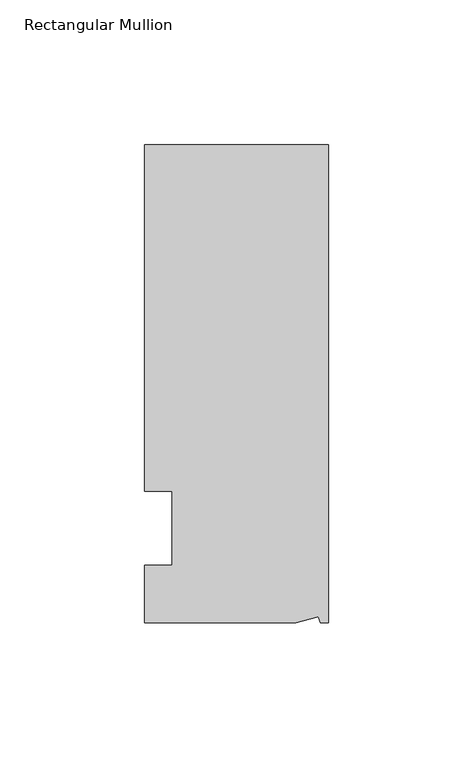
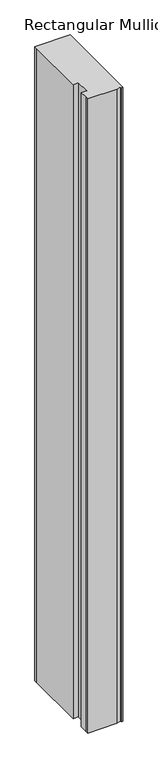
"""IFC4 building model written with IfcOpenShell, lengths in millimetres: member geometry, Rectangular Mullion."""

from ifc_helpers import new_model, si_unit, origin, place, context, project, spatial, faceted_brep, source, transform, mapped, element, save


def rectangular_mullion_0dc89c24(model_context):
    return source(origin(), model_context, "Body", "Brep", [
        faceted_brep([(0.0, 132.5561012, 0.0), (-63.5, 132.5561012, 0.0), (-63.5, 126.2061012, 0.0), (-63.5, 12.8488281, 0.0), (-53.975, 12.8488281, 0.0), (-53.975, -12.7, 0.0), (-63.5, -12.7, 0.0), (-63.5, -26.1938988, 0.0), (-63.5076469, -32.5438988, 0.0), (-11.1125, -32.5438988, 0.0), (-3.3223696, -30.4565397, 0.0), (-2.7630634, -32.5438988, 0.0), (0.0, -32.5438988, 0.0), (0.0, 132.5561012, -1210.7333333), (0.0, -32.5438988, -1210.7333333), (-2.7630634, -32.5438988, -1210.7333333), (-3.3223696, -30.4565397, -1210.7333333), (-11.1125, -32.5438988, -1210.7333333), (-63.5076469, -32.5438988, -1210.7333333), (-63.5076469, -26.1938988, -1210.7333333), (-63.5, -12.7, -1210.7333333), (-53.975, -12.7, -1210.7333333), (-53.975, 12.8488281, -1210.7333333), (-63.5, 12.8488281, -1210.7333333), (-63.5, 126.2061012, -1210.7333333), (-63.5, 132.5561012, -1210.7333333)], [[[0, 1, 2, 3, 4, 5, 6, 7, 8, 9, 10, 11, 12]], [[13, 14, 15, 16, 17, 18, 19, 20, 21, 22, 23, 24, 25]], [[0, 12, 14, 13]], [[1, 0, 13, 25]], [[3, 2, 24, 23]], [[4, 3, 23, 22]], [[5, 4, 22, 21]], [[6, 5, 21, 20]], [[7, 6, 20, 19]], [[9, 8, 18, 17]], [[10, 9, 17, 16]], [[11, 10, 16, 15]], [[12, 11, 15, 14]], [[2, 1, 25, 24]], [[8, 7, 19, 18]]]),
    ])


if __name__ == "__main__":
    model = new_model("IFC4")
    model_context = context("Model", 3, world=origin())
    ifc_project = project(units=[si_unit("LENGTHUNIT", "METRE", prefix="MILLI")], contexts=[model_context])
    site = spatial("IfcSite", under=ifc_project)
    building = spatial("IfcBuilding", under=site)
    placement = place(None, origin())
    rectangular_mullion_shape = rectangular_mullion_0dc89c24(model_context)
    element("IfcMember", 1, ObjectType="Rectangular Mullion", at=placement, inside=building, context=model_context, shape_type="MappedRepresentation", body=[
        mapped(rectangular_mullion_shape, transform((0.0, 0.0, 0.0), x_axis=(1.0, 0.0, 0.0), y_axis=(0.0, 1.0, 0.0), z_axis=(0.0, 0.0, 1.0))),
    ])
    save(model, "model.ifc")
